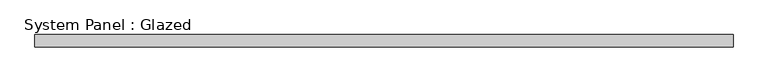
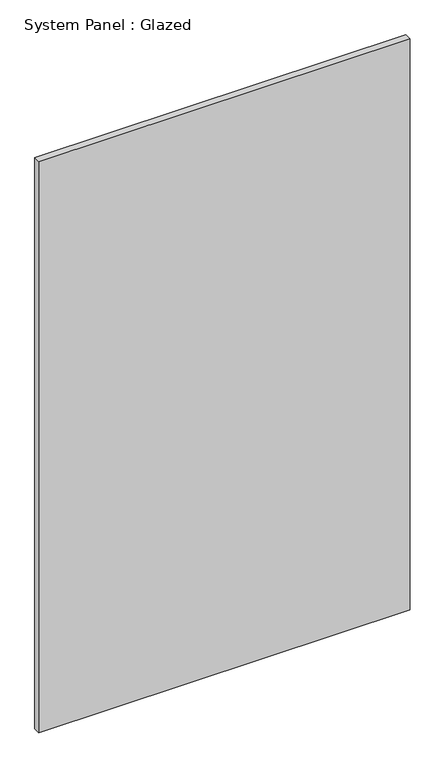
"""IFC4 building model written with IfcOpenShell, lengths in millimetres: plate geometry, System Panel : Glazed."""

from ifc_helpers import new_model, si_unit, origin, origin_with_axes, place, context, project, spatial, polyline, outline, extrude, source, transform, mapped, element, save


def system_panel_glazed_7f867c94(model_context):
    return source(origin(), model_context, "Body", "SweptSolid", [
        extrude(outline(polyline([(730.25, 19.05), (-730.25, 19.05), (-730.25, 44.45), (730.25, 44.45), (730.25, 19.05)])), origin_with_axes(), (0.0, 0.0, 1.0), 2374.9),
    ])


if __name__ == "__main__":
    model = new_model("IFC4")
    model_context = context("Model", 3, world=origin())
    ifc_project = project(units=[si_unit("LENGTHUNIT", "METRE", prefix="MILLI")], contexts=[model_context])
    site = spatial("IfcSite", under=ifc_project)
    building = spatial("IfcBuilding", under=site)
    placement = place(None, origin())
    system_panel_glazed_shape = system_panel_glazed_7f867c94(model_context)
    element("IfcPlate", 1, ObjectType="System Panel : Glazed", at=placement, inside=building, context=model_context, shape_type="MappedRepresentation", body=[
        mapped(system_panel_glazed_shape, transform((0.0, 0.0, 0.0), x_axis=(1.0, 0.0, 0.0), y_axis=(0.0, 1.0, 0.0), z_axis=(0.0, 0.0, 1.0))),
    ])
    save(model, "model.ifc")
